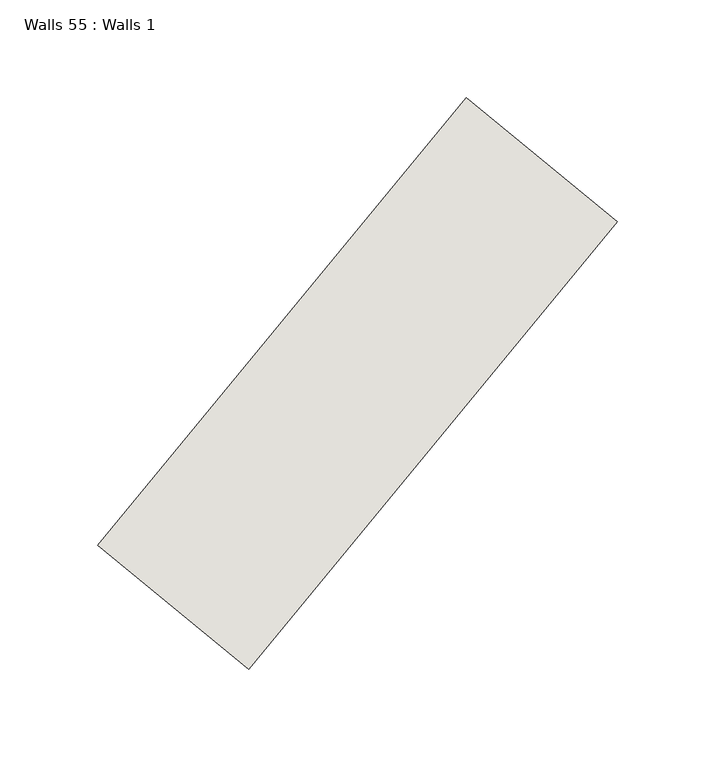
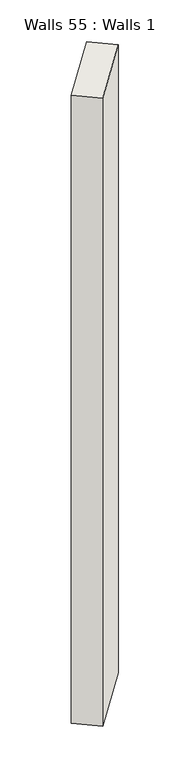
"""IFC4 building model written with IfcOpenShell, lengths in millimetres: wall geometry, Walls 55 : Walls 1."""

from ifc_helpers import new_model, si_unit, origin, origin_with_axes, place, context, project, spatial, polyline, outline, extrude, source, transform, mapped, element, save


def walls_55_walls_1_645d8355(model_context):
    return source(origin(), model_context, "Body", "SweptSolid", [
        extrude(outline(polyline([(9662.0548248, -173.1506529), (9850.705386, 55.8884399), (9927.8934262, -7.6883361), (9739.2428651, -236.7274289), (9662.0548248, -173.1506529)])), origin_with_axes(), (0.0, 0.0, 1.0), 2409.0031057),
    ])


if __name__ == "__main__":
    model = new_model("IFC4")
    model_context = context("Model", 3, world=origin())
    ifc_project = project(units=[si_unit("LENGTHUNIT", "METRE", prefix="MILLI")], contexts=[model_context])
    site = spatial("IfcSite", under=ifc_project)
    building = spatial("IfcBuilding", under=site)
    placement = place(None, origin())
    walls_55_walls_1_shape = walls_55_walls_1_645d8355(model_context)
    element("IfcWall", 1, ObjectType="Walls 55 : Walls 1", at=placement, inside=building, context=model_context, shape_type="MappedRepresentation", body=[
        mapped(walls_55_walls_1_shape, transform((0.0, 0.0, 0.0), x_axis=(1.0, 0.0, 0.0), y_axis=(0.0, 1.0, 0.0), z_axis=(0.0, 0.0, 1.0))),
    ])
    save(model, "model.ifc")
